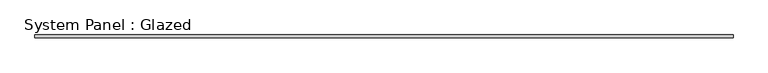
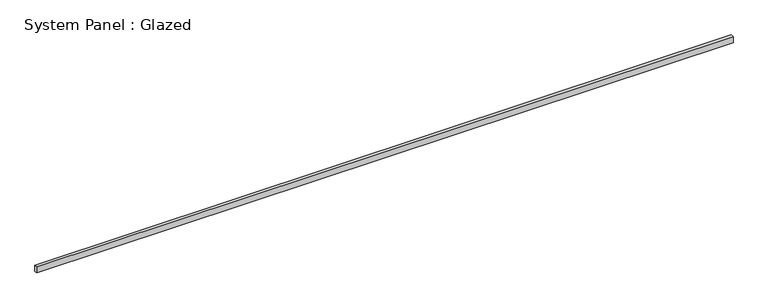
"""IFC4 building model written with IfcOpenShell, lengths in millimetres: plate geometry, System Panel : Glazed."""

import ifcopenshell
import ifcopenshell.guid

model = None  # the IFC model being written
_history = None  # IfcOwnerHistory: only IFC2X3 demands one
_inside = {}  # id of a spatial element -> (the spatial element, [elements in it])
_under = {}  # id of a project, library or spatial element -> (it, [spatial elements below it])
_declared = {}  # id of a project -> (the project, [libraries it declares])
_typed = {}  # id of a type object -> (the type object, [elements of that type])
_made_of = {}  # id of a material, layer set ... -> (it, [elements and type objects made of it])


def new_model(schema):
    """Start an empty IFC model of exactly this schema.

    Asked for "IFC4X3", IfcOpenShell would pick the latest addendum, in which some entities
    have other attributes; the version numbers below select the first issue.
    IFC2X3 requires an IfcOwnerHistory on every rooted entity: one is made here for all.
    """
    global model, _history
    if schema == "IFC4X3":
        model = ifcopenshell.file(schema_version=(4, 3, 0, 0))
    else:
        model = ifcopenshell.file(schema=schema)
    _inside.clear()
    _under.clear()
    _declared.clear()
    _typed.clear()
    _made_of.clear()
    _history = None
    if model.schema == "IFC2X3":
        org = make("IfcOrganization", Name="unknown")
        user = make(
            "IfcPersonAndOrganization",
            ThePerson=make("IfcPerson", FamilyName="unknown"),
            TheOrganization=org,
        )
        app = make(
            "IfcApplication",
            ApplicationDeveloper=org,
            Version="unknown",
            ApplicationFullName="unknown",
            ApplicationIdentifier="unknown",
        )
        _history = make(
            "IfcOwnerHistory",
            OwningUser=user,
            OwningApplication=app,
            ChangeAction="ADDED",
            CreationDate=0,
        )
    return model


def make(cls, **values):
    """One entity of the class cls with the attributes given. An attribute that is None is left unset."""
    return model.create_entity(
        cls, **{name: value for name, value in values.items() if value is not None}
    )


def rooted(cls, **values):
    """An entity with a GlobalId (a new one), such as an element, a storey or a relation."""
    return make(cls, GlobalId=ifcopenshell.guid.new(), OwnerHistory=_history, **values)


def si_unit(unit_type, name, prefix=None):
    """IfcSIUnit, for example si_unit("LENGTHUNIT", "METRE", prefix="MILLI")."""
    return make("IfcSIUnit", UnitType=unit_type, Prefix=prefix, Name=name)


def assignment(units):
    """IfcUnitAssignment: the units of a project."""
    return None if units is None else make("IfcUnitAssignment", Units=units)


def point(xyz):
    """IfcCartesianPoint."""
    return None if xyz is None else make("IfcCartesianPoint", Coordinates=xyz)


def direction(xyz):
    """IfcDirection."""
    return None if xyz is None else make("IfcDirection", DirectionRatios=xyz)


def frame(location, z_axis=None, x_axis=None):
    """IfcAxis2Placement3D, a coordinate frame: its origin and axes. An axis left out is left unset."""
    return make(
        "IfcAxis2Placement3D",
        Location=point(location),
        Axis=direction(z_axis),
        RefDirection=direction(x_axis),
    )


def origin():
    """The frame at (0, 0, 0) with its axes left unset."""
    return frame((0.0, 0.0, 0.0))


def origin_with_axes():
    """The frame at (0, 0, 0) with the z axis (0, 0, 1) and the x axis (1, 0, 0) written out."""
    return frame((0.0, 0.0, 0.0), z_axis=(0.0, 0.0, 1.0), x_axis=(1.0, 0.0, 0.0))


def place(relative_to, where):
    """IfcLocalPlacement: puts the frame where relative to a parent placement (None: the world)."""
    return make(
        "IfcLocalPlacement", PlacementRelTo=relative_to, RelativePlacement=where
    )


def context(
    kind, dimensions, precision=None, world=None, true_north=None, identifier=None
):
    """IfcGeometricRepresentationContext, for example the 3D "Model" context."""
    return make(
        "IfcGeometricRepresentationContext",
        ContextIdentifier=identifier,
        ContextType=kind,
        CoordinateSpaceDimension=dimensions,
        Precision=precision,
        WorldCoordinateSystem=world,
        TrueNorth=true_north,
    )


def project(units=None, contexts=None):
    """IfcProject with its units and contexts."""
    return rooted(
        "IfcProject",
        Name="project",
        RepresentationContexts=contexts,
        UnitsInContext=assignment(units),
    )


def spatial(cls, under=None, at=None, **own):
    """A site, building, storey or space (cls), placed at a placement, below another one or the project."""
    s = rooted(cls, ObjectPlacement=at, **own)
    if under is not None:
        _under.setdefault(under.id(), (under, []))[1].append(s)
    return s


def polyline(points):
    """IfcPolyline through the points."""
    return make("IfcPolyline", Points=[point(p) for p in points])


def outline(outer, holes=None, kind="AREA"):
    """IfcArbitraryClosedProfileDef: a profile drawn as a closed curve; with holes, ...WithVoids."""
    if holes is None:
        return make("IfcArbitraryClosedProfileDef", ProfileType=kind, OuterCurve=outer)
    return make(
        "IfcArbitraryProfileDefWithVoids",
        ProfileType=kind,
        OuterCurve=outer,
        InnerCurves=holes,
    )


def extrude(swept, where, along, depth):
    """IfcExtrudedAreaSolid: the profile swept, set in the frame where, extruded along a direction by depth."""
    return make(
        "IfcExtrudedAreaSolid",
        SweptArea=swept,
        Position=where,
        ExtrudedDirection=direction(along),
        Depth=depth,
    )


def shape(context_of_items, identifier, shape_type, items):
    """IfcShapeRepresentation: the items that make up one representation, for example the "Body"."""
    return make(
        "IfcShapeRepresentation",
        ContextOfItems=context_of_items,
        RepresentationIdentifier=identifier,
        RepresentationType=shape_type,
        Items=items,
    )


def source(mapping_origin, context_of_items, identifier, shape_type, items):
    """IfcRepresentationMap: a shape defined once, which mapped items show again and again."""
    return make(
        "IfcRepresentationMap",
        MappingOrigin=mapping_origin,
        MappedRepresentation=shape(context_of_items, identifier, shape_type, items),
    )


def transform(
    local_origin,
    x_axis=None,
    y_axis=None,
    z_axis=None,
    scale=None,
    scale2=None,
    scale3=None,
    uniform=True,
):
    """IfcCartesianTransformationOperator3D, or its non-uniform kind. x_axis, y_axis, z_axis: its Axis1, 2, 3."""
    if uniform:
        return make(
            "IfcCartesianTransformationOperator3D",
            Axis1=direction(x_axis),
            Axis2=direction(y_axis),
            LocalOrigin=point(local_origin),
            Scale=scale,
            Axis3=direction(z_axis),
        )
    return make(
        "IfcCartesianTransformationOperator3DnonUniform",
        Axis1=direction(x_axis),
        Axis2=direction(y_axis),
        LocalOrigin=point(local_origin),
        Scale=scale,
        Axis3=direction(z_axis),
        Scale2=scale2,
        Scale3=scale3,
    )


def mapped(mapping_source, mapping_target):
    """IfcMappedItem: shows the shape of a source again, moved by a transform."""
    return make(
        "IfcMappedItem", MappingSource=mapping_source, MappingTarget=mapping_target
    )


def made_of(thing, what):
    """Note that an element or type object is made of a material, layer set ...; save() writes the relation."""
    if what is not None:
        _made_of.setdefault(what.id(), (what, []))[1].append(thing)
    return thing


def element(
    cls,
    number,
    at=None,
    inside=None,
    cuts=None,
    type_object=None,
    material=None,
    context=None,
    identifier="Body",
    shape_type=None,
    held_by="IfcProductDefinitionShape",
    body=None,
    shapes=None,
    **own,
):
    """One element of the class cls, such as IfcWall. Its Tag is "e" and its number.

    at: its placement. inside: the storey or other place that contains it. cuts: it is an
    opening in that element (IfcRelVoidsElement). A single representation is given by context,
    identifier, shape_type and body (its items); several are given by shapes. held_by: the class
    of the entity that holds the representations. save() writes the other relations.
    """
    e = rooted(cls, Tag="e%d" % number, ObjectPlacement=at, **own)
    if body is not None:
        shapes = [shape(context, identifier, shape_type, body)]
    if shapes is not None:
        e.Representation = make(held_by, Representations=shapes)
    if inside is not None:
        _inside.setdefault(inside.id(), (inside, []))[1].append(e)
    if cuts is not None:
        rooted(
            "IfcRelVoidsElement", RelatingBuildingElement=cuts, RelatedOpeningElement=e
        )
    if type_object is not None:
        _typed.setdefault(type_object.id(), (type_object, []))[1].append(e)
    return made_of(e, material)


def aggregate(whole, parts):
    """IfcRelAggregates: a whole, such as a stair, and the parts it consists of."""
    return rooted("IfcRelAggregates", RelatingObject=whole, RelatedObjects=parts)


def save(model, path):
    """Write the relations noted so far, then the file.

    IfcRelAggregates (storeys below a building ...), IfcRelContainedInSpatialStructure (elements
    in a storey), IfcRelDefinesByType, IfcRelAssociatesMaterial and IfcRelDeclares: one each for
    every whole, place, type object, material and project.
    """
    for whole, parts in _under.values():
        aggregate(whole, parts)
    for where, things in _inside.values():
        rooted(
            "IfcRelContainedInSpatialStructure",
            RelatedElements=things,
            RelatingStructure=where,
        )
    for kind, things in _typed.values():
        rooted("IfcRelDefinesByType", RelatedObjects=things, RelatingType=kind)
    for what, things in _made_of.values():
        rooted("IfcRelAssociatesMaterial", RelatedObjects=things, RelatingMaterial=what)
    for by, libraries in _declared.values():
        rooted("IfcRelDeclares", RelatingContext=by, RelatedDefinitions=libraries)
    model.write(path)


def system_panel_glazed_1931de47(model_context):
    return source(origin(), model_context, "Body", "SweptSolid", [
        extrude(outline(polyline([(3009.9, 25.4), (-3009.9, 25.4), (-3009.9, 50.8), (3009.9, 50.8), (3009.9, 25.4)])), origin_with_axes(), (0.0, 0.0, 1.0), 56.7255971),
    ])


if __name__ == "__main__":
    model = new_model("IFC4")
    model_context = context("Model", 3, world=origin())
    ifc_project = project(units=[si_unit("LENGTHUNIT", "METRE", prefix="MILLI")], contexts=[model_context])
    site = spatial("IfcSite", under=ifc_project)
    building = spatial("IfcBuilding", under=site)
    placement = place(None, origin())
    system_panel_glazed_shape = system_panel_glazed_1931de47(model_context)
    element("IfcPlate", 1, ObjectType="System Panel : Glazed", at=placement, inside=building, context=model_context, shape_type="MappedRepresentation", body=[
        mapped(system_panel_glazed_shape, transform((0.0, 0.0, 0.0), x_axis=(1.0, 0.0, 0.0), y_axis=(0.0, 1.0, 0.0), z_axis=(0.0, 0.0, 1.0))),
    ])
    save(model, "model.ifc")
